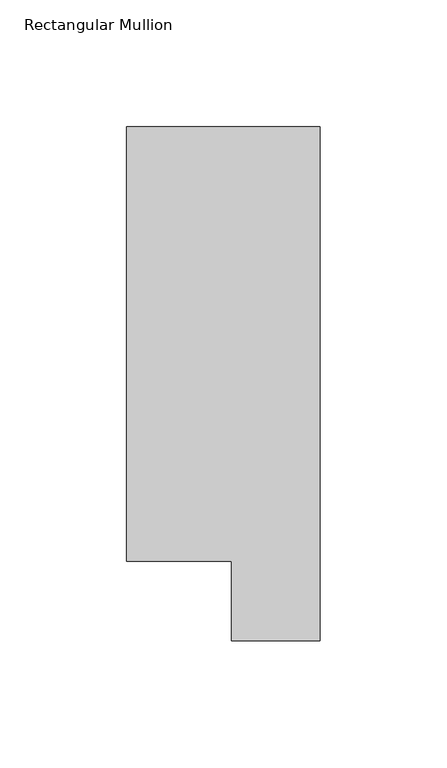
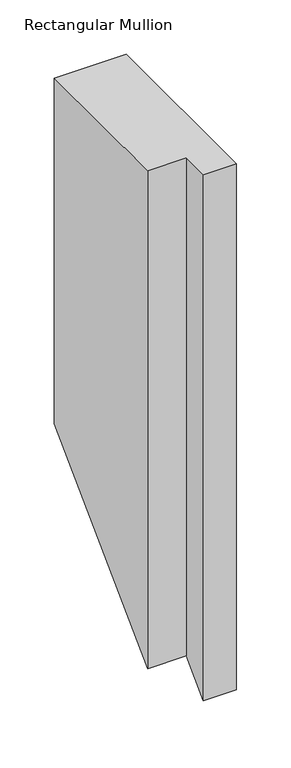
"""IFC4 building model written with IfcOpenShell, lengths in millimetres: member geometry, Rectangular Mullion."""

from ifc_helpers import new_model, si_unit, origin, place, context, project, spatial, faceted_brep, source, transform, mapped, element, save


def rectangular_mullion_2aa77db3(model_context):
    return source(origin(), model_context, "Body", "Brep", [
        faceted_brep([(0.0, 222.0301313, 0.0), (-76.2, 222.0301313, 0.0), (-76.2, 50.820278, 0.0), (-34.9123, 50.820278, 0.0), (-34.9123, 19.5667312, 0.0), (0.0, 19.5667312, 0.0), (0.0, 222.0301313, -387.5698687), (-76.2, 222.0301313, -387.5698687), (-76.2, 50.820278, -558.779722), (-34.9123, 50.820278, -558.779722), (-34.9123, 19.5667312, -590.0332687), (0.0, 19.5667312, -590.0332687)], [[[0, 1, 2, 3, 4, 5]], [[1, 0, 6, 7]], [[2, 1, 7, 8]], [[3, 2, 8, 9]], [[4, 3, 9, 10]], [[5, 4, 10, 11]], [[0, 5, 11, 6]], [[6, 11, 10, 9, 8, 7]]]),
    ])


if __name__ == "__main__":
    model = new_model("IFC4")
    model_context = context("Model", 3, world=origin())
    ifc_project = project(units=[si_unit("LENGTHUNIT", "METRE", prefix="MILLI")], contexts=[model_context])
    site = spatial("IfcSite", under=ifc_project)
    building = spatial("IfcBuilding", under=site)
    placement = place(None, origin())
    rectangular_mullion_shape = rectangular_mullion_2aa77db3(model_context)
    element("IfcMember", 1, ObjectType="Rectangular Mullion", at=placement, inside=building, context=model_context, shape_type="MappedRepresentation", body=[
        mapped(rectangular_mullion_shape, transform((0.0, 0.0, 0.0), x_axis=(1.0, 0.0, 0.0), y_axis=(0.0, 1.0, 0.0), z_axis=(0.0, 0.0, 1.0))),
    ])
    save(model, "model.ifc")
